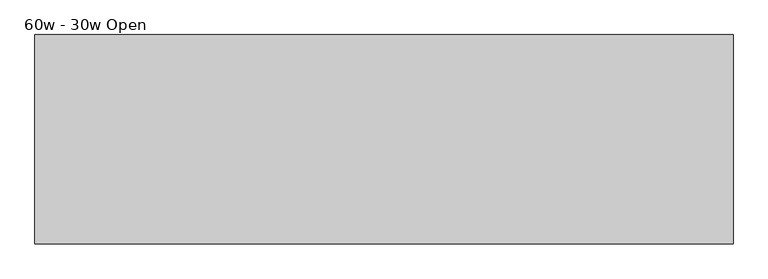
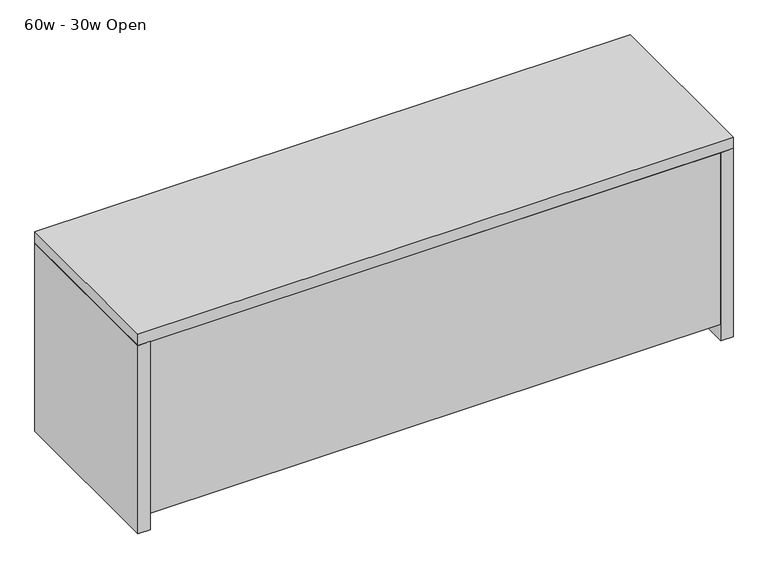
"""IFC4 building model written with IfcOpenShell, lengths in millimetres: furniture geometry, 60w - 30w Open."""

from ifc_helpers import new_model, si_unit, frame, origin, origin_with_axes, place, context, project, spatial, polyline, outline, extrude, source, transform, mapped, element, save


def furniture_60w_30w_open_ebc2d9aa(model_context):
    return source(origin(), model_context, "Body", "SweptSolid", [
        extrude(outline(polyline([(-190.5, 19.05), (-882.65, 19.05), (-882.65, 436.5625), (-190.5, 436.5625), (-190.5, 19.05)])), frame((0.0, 0.0, 355.6), z_axis=(0.0, 0.0, 1.0), x_axis=(1.0, 0.0, 0.0)), (0.0, 0.0, 1.0), 19.05),
        extrude(outline(polyline([(577.85, 19.05), (-171.45, 19.05), (-171.45, 436.5625), (577.85, 436.5625), (577.85, 19.05)])), frame((0.0, 0.0, 355.6), z_axis=(0.0, 0.0, 1.0), x_axis=(1.0, 0.0, 0.0)), (0.0, 0.0, 1.0), 19.05),
        extrude(outline(polyline([(438.15, 44.45), (436.5625, 44.45), (436.5625, 61.9125), (20.6375, 61.9125), (20.6375, 44.45), (19.05, 44.45), (19.05, 63.5), (438.15, 63.5), (438.15, 44.45)])), frame((-882.65, 0.0, 0.0), z_axis=(1.0, 0.0, 0.0), x_axis=(0.0, 1.0, 0.0)), (0.0, 0.0, 1.0), 1460.5),
        extrude(outline(polyline([(-171.45, 438.15), (-171.45, 19.05), (-190.5, 19.05), (-190.5, 438.15), (-171.45, 438.15)])), frame((0.0, 0.0, 63.5), z_axis=(0.0, 0.0, 1.0), x_axis=(1.0, 0.0, 0.0)), (0.0, 0.0, 1.0), 446.0875),
        extrude(outline(polyline([(-914.4, 0.0), (-914.4, 457.2), (-882.65, 457.2), (-882.65, 0.0), (-914.4, 0.0)])), origin_with_axes(), (0.0, 0.0, 1.0), 509.5875),
        extrude(outline(polyline([(609.6, 457.2), (609.6, 0.0), (577.85, 0.0), (577.85, 457.2), (609.6, 457.2)])), origin_with_axes(), (0.0, 0.0, 1.0), 509.5875),
        extrude(outline(polyline([(609.6, 0.0), (-914.4, 0.0), (-914.4, 457.2), (609.6, 457.2), (609.6, 0.0)])), frame((0.0, 0.0, 509.5875), z_axis=(0.0, 0.0, 1.0), x_axis=(1.0, 0.0, 0.0)), (0.0, 0.0, 1.0), 30.1625),
        extrude(outline(polyline([(577.85, 0.0), (-882.65, 0.0), (-882.65, 19.05), (577.85, 19.05), (577.85, 0.0)])), frame((0.0, 0.0, 44.45), z_axis=(0.0, 0.0, 1.0), x_axis=(1.0, 0.0, 0.0)), (0.0, 0.0, 1.0), 465.1375),
    ])


if __name__ == "__main__":
    model = new_model("IFC4")
    model_context = context("Model", 3, world=origin())
    ifc_project = project(units=[si_unit("LENGTHUNIT", "METRE", prefix="MILLI")], contexts=[model_context])
    site = spatial("IfcSite", under=ifc_project)
    building = spatial("IfcBuilding", under=site)
    placement = place(None, origin())
    furniture_60w_30w_open_shape = furniture_60w_30w_open_ebc2d9aa(model_context)
    element("IfcFurniture", 1, ObjectType="60w - 30w Open", at=placement, inside=building, context=model_context, shape_type="MappedRepresentation", body=[
        mapped(furniture_60w_30w_open_shape, transform((0.0, 0.0, 0.0), x_axis=(1.0, 0.0, 0.0), y_axis=(0.0, 1.0, 0.0), z_axis=(0.0, 0.0, 1.0))),
    ])
    save(model, "model.ifc")
